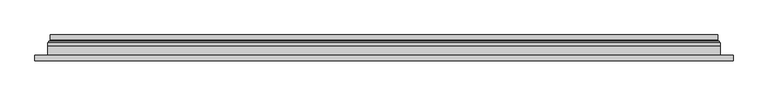
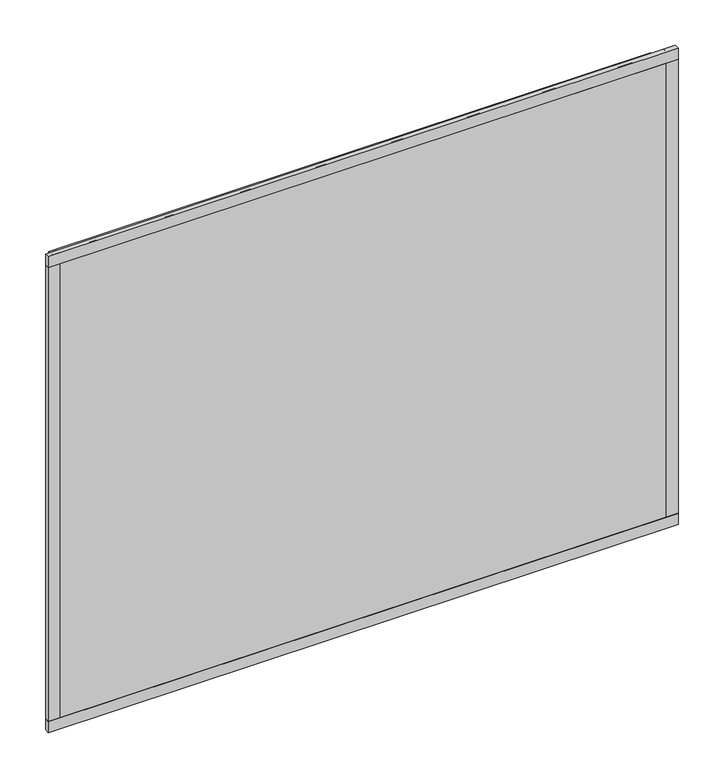
"""IFC4 building model written with IfcOpenShell, lengths in millimetres: plate geometry."""

import ifcopenshell
import ifcopenshell.guid

model = None  # the IFC model being written
_history = None  # IfcOwnerHistory: only IFC2X3 demands one
_inside = {}  # id of a spatial element -> (the spatial element, [elements in it])
_under = {}  # id of a project, library or spatial element -> (it, [spatial elements below it])
_declared = {}  # id of a project -> (the project, [libraries it declares])
_typed = {}  # id of a type object -> (the type object, [elements of that type])
_made_of = {}  # id of a material, layer set ... -> (it, [elements and type objects made of it])


def new_model(schema):
    """Start an empty IFC model of exactly this schema.

    Asked for "IFC4X3", IfcOpenShell would pick the latest addendum, in which some entities
    have other attributes; the version numbers below select the first issue.
    IFC2X3 requires an IfcOwnerHistory on every rooted entity: one is made here for all.
    """
    global model, _history
    if schema == "IFC4X3":
        model = ifcopenshell.file(schema_version=(4, 3, 0, 0))
    else:
        model = ifcopenshell.file(schema=schema)
    _inside.clear()
    _under.clear()
    _declared.clear()
    _typed.clear()
    _made_of.clear()
    _history = None
    if model.schema == "IFC2X3":
        org = make("IfcOrganization", Name="unknown")
        user = make(
            "IfcPersonAndOrganization",
            ThePerson=make("IfcPerson", FamilyName="unknown"),
            TheOrganization=org,
        )
        app = make(
            "IfcApplication",
            ApplicationDeveloper=org,
            Version="unknown",
            ApplicationFullName="unknown",
            ApplicationIdentifier="unknown",
        )
        _history = make(
            "IfcOwnerHistory",
            OwningUser=user,
            OwningApplication=app,
            ChangeAction="ADDED",
            CreationDate=0,
        )
    return model


def make(cls, **values):
    """One entity of the class cls with the attributes given. An attribute that is None is left unset."""
    return model.create_entity(
        cls, **{name: value for name, value in values.items() if value is not None}
    )


def rooted(cls, **values):
    """An entity with a GlobalId (a new one), such as an element, a storey or a relation."""
    return make(cls, GlobalId=ifcopenshell.guid.new(), OwnerHistory=_history, **values)


def si_unit(unit_type, name, prefix=None):
    """IfcSIUnit, for example si_unit("LENGTHUNIT", "METRE", prefix="MILLI")."""
    return make("IfcSIUnit", UnitType=unit_type, Prefix=prefix, Name=name)


def assignment(units):
    """IfcUnitAssignment: the units of a project."""
    return None if units is None else make("IfcUnitAssignment", Units=units)


def point(xyz):
    """IfcCartesianPoint."""
    return None if xyz is None else make("IfcCartesianPoint", Coordinates=xyz)


def direction(xyz):
    """IfcDirection."""
    return None if xyz is None else make("IfcDirection", DirectionRatios=xyz)


def frame(location, z_axis=None, x_axis=None):
    """IfcAxis2Placement3D, a coordinate frame: its origin and axes. An axis left out is left unset."""
    return make(
        "IfcAxis2Placement3D",
        Location=point(location),
        Axis=direction(z_axis),
        RefDirection=direction(x_axis),
    )


def origin():
    """The frame at (0, 0, 0) with its axes left unset."""
    return frame((0.0, 0.0, 0.0))


def place(relative_to, where):
    """IfcLocalPlacement: puts the frame where relative to a parent placement (None: the world)."""
    return make(
        "IfcLocalPlacement", PlacementRelTo=relative_to, RelativePlacement=where
    )


def context(
    kind, dimensions, precision=None, world=None, true_north=None, identifier=None
):
    """IfcGeometricRepresentationContext, for example the 3D "Model" context."""
    return make(
        "IfcGeometricRepresentationContext",
        ContextIdentifier=identifier,
        ContextType=kind,
        CoordinateSpaceDimension=dimensions,
        Precision=precision,
        WorldCoordinateSystem=world,
        TrueNorth=true_north,
    )


def project(units=None, contexts=None):
    """IfcProject with its units and contexts."""
    return rooted(
        "IfcProject",
        Name="project",
        RepresentationContexts=contexts,
        UnitsInContext=assignment(units),
    )


def spatial(cls, under=None, at=None, **own):
    """A site, building, storey or space (cls), placed at a placement, below another one or the project."""
    s = rooted(cls, ObjectPlacement=at, **own)
    if under is not None:
        _under.setdefault(under.id(), (under, []))[1].append(s)
    return s


def polyline(points):
    """IfcPolyline through the points."""
    return make("IfcPolyline", Points=[point(p) for p in points])


def ellipse_curve(where, semi_axis1, semi_axis2):
    """IfcEllipse in the frame where."""
    return make(
        "IfcEllipse", Position=where, SemiAxis1=semi_axis1, SemiAxis2=semi_axis2
    )


def outline(outer, holes=None, kind="AREA"):
    """IfcArbitraryClosedProfileDef: a profile drawn as a closed curve; with holes, ...WithVoids."""
    if holes is None:
        return make("IfcArbitraryClosedProfileDef", ProfileType=kind, OuterCurve=outer)
    return make(
        "IfcArbitraryProfileDefWithVoids",
        ProfileType=kind,
        OuterCurve=outer,
        InnerCurves=holes,
    )


def extrude(swept, where, along, depth):
    """IfcExtrudedAreaSolid: the profile swept, set in the frame where, extruded along a direction by depth."""
    return make(
        "IfcExtrudedAreaSolid",
        SweptArea=swept,
        Position=where,
        ExtrudedDirection=direction(along),
        Depth=depth,
    )


def shape(context_of_items, identifier, shape_type, items):
    """IfcShapeRepresentation: the items that make up one representation, for example the "Body"."""
    return make(
        "IfcShapeRepresentation",
        ContextOfItems=context_of_items,
        RepresentationIdentifier=identifier,
        RepresentationType=shape_type,
        Items=items,
    )


def source(mapping_origin, context_of_items, identifier, shape_type, items):
    """IfcRepresentationMap: a shape defined once, which mapped items show again and again."""
    return make(
        "IfcRepresentationMap",
        MappingOrigin=mapping_origin,
        MappedRepresentation=shape(context_of_items, identifier, shape_type, items),
    )


def transform(
    local_origin,
    x_axis=None,
    y_axis=None,
    z_axis=None,
    scale=None,
    scale2=None,
    scale3=None,
    uniform=True,
):
    """IfcCartesianTransformationOperator3D, or its non-uniform kind. x_axis, y_axis, z_axis: its Axis1, 2, 3."""
    if uniform:
        return make(
            "IfcCartesianTransformationOperator3D",
            Axis1=direction(x_axis),
            Axis2=direction(y_axis),
            LocalOrigin=point(local_origin),
            Scale=scale,
            Axis3=direction(z_axis),
        )
    return make(
        "IfcCartesianTransformationOperator3DnonUniform",
        Axis1=direction(x_axis),
        Axis2=direction(y_axis),
        LocalOrigin=point(local_origin),
        Scale=scale,
        Axis3=direction(z_axis),
        Scale2=scale2,
        Scale3=scale3,
    )


def mapped(mapping_source, mapping_target):
    """IfcMappedItem: shows the shape of a source again, moved by a transform."""
    return make(
        "IfcMappedItem", MappingSource=mapping_source, MappingTarget=mapping_target
    )


def made_of(thing, what):
    """Note that an element or type object is made of a material, layer set ...; save() writes the relation."""
    if what is not None:
        _made_of.setdefault(what.id(), (what, []))[1].append(thing)
    return thing


def element(
    cls,
    number,
    at=None,
    inside=None,
    cuts=None,
    type_object=None,
    material=None,
    context=None,
    identifier="Body",
    shape_type=None,
    held_by="IfcProductDefinitionShape",
    body=None,
    shapes=None,
    **own,
):
    """One element of the class cls, such as IfcWall. Its Tag is "e" and its number.

    at: its placement. inside: the storey or other place that contains it. cuts: it is an
    opening in that element (IfcRelVoidsElement). A single representation is given by context,
    identifier, shape_type and body (its items); several are given by shapes. held_by: the class
    of the entity that holds the representations. save() writes the other relations.
    """
    e = rooted(cls, Tag="e%d" % number, ObjectPlacement=at, **own)
    if body is not None:
        shapes = [shape(context, identifier, shape_type, body)]
    if shapes is not None:
        e.Representation = make(held_by, Representations=shapes)
    if inside is not None:
        _inside.setdefault(inside.id(), (inside, []))[1].append(e)
    if cuts is not None:
        rooted(
            "IfcRelVoidsElement", RelatingBuildingElement=cuts, RelatedOpeningElement=e
        )
    if type_object is not None:
        _typed.setdefault(type_object.id(), (type_object, []))[1].append(e)
    return made_of(e, material)


def aggregate(whole, parts):
    """IfcRelAggregates: a whole, such as a stair, and the parts it consists of."""
    return rooted("IfcRelAggregates", RelatingObject=whole, RelatedObjects=parts)


def save(model, path):
    """Write the relations noted so far, then the file.

    IfcRelAggregates (storeys below a building ...), IfcRelContainedInSpatialStructure (elements
    in a storey), IfcRelDefinesByType, IfcRelAssociatesMaterial and IfcRelDeclares: one each for
    every whole, place, type object, material and project.
    """
    for whole, parts in _under.values():
        aggregate(whole, parts)
    for where, things in _inside.values():
        rooted(
            "IfcRelContainedInSpatialStructure",
            RelatedElements=things,
            RelatingStructure=where,
        )
    for kind, things in _typed.values():
        rooted("IfcRelDefinesByType", RelatedObjects=things, RelatingType=kind)
    for what, things in _made_of.values():
        rooted("IfcRelAssociatesMaterial", RelatedObjects=things, RelatingMaterial=what)
    for by, libraries in _declared.values():
        rooted("IfcRelDeclares", RelatingContext=by, RelatedDefinitions=libraries)
    model.write(path)


def plane_surface(at):
    """IfcPlane: the flat surface through the origin of the frame at, square to its z axis."""
    return make("IfcPlane", Position=at)


def cylinder_surface(at, radius):
    """IfcCylindricalSurface: all points at the distance radius from the z axis of the frame at."""
    return make("IfcCylindricalSurface", Position=at, Radius=radius)


def revolved_surface(curve, axis_point, axis_direction):
    """IfcSurfaceOfRevolution: the curve turned about the line through axis_point along axis_direction."""
    return make(
        "IfcSurfaceOfRevolution",
        SweptCurve=make("IfcArbitraryOpenProfileDef", ProfileType="CURVE", Curve=curve),
        AxisPosition=make("IfcAxis1Placement", Location=point(axis_point), Axis=direction(axis_direction)),
    )


def advanced_brep(points, edges, surfaces, faces):
    """IfcAdvancedBrep: a solid bounded by faces that lie on surfaces and meet in shared edges.

    An edge is (start, end): straight between two places in points (the first is 0);
    or (start, end, curve); or (start, end, curve, False) where it runs against its curve.
    A face is (place in surfaces, loops), or (place, loops, False) where it looks against
    its surface's normal. A loop lists edges by number (the first is 1), with a minus sign
    where the edge is run from its end to its start. The first loop is the outer one.
    """
    corners = [point(p) for p in points]
    vertices = [make("IfcVertexPoint", VertexGeometry=c) for c in corners]
    made = []
    for start, end, *more in edges:
        made.append(
            make(
                "IfcEdgeCurve",
                EdgeStart=vertices[start],
                EdgeEnd=vertices[end],
                EdgeGeometry=more[0] if more else make("IfcPolyline", Points=[corners[start], corners[end]]),
                SameSense=more[1] if len(more) > 1 else True,
            )
        )
    hull = []
    for where, loops, *sense in faces:
        bounds = []
        for j, loop in enumerate(loops):
            ring = [make("IfcOrientedEdge", EdgeElement=made[abs(k) - 1], Orientation=k > 0) for k in loop]
            bounds.append(
                make(
                    "IfcFaceOuterBound" if j == 0 else "IfcFaceBound",
                    Bound=make("IfcEdgeLoop", EdgeList=ring),
                    Orientation=True,
                )
            )
        hull.append(make("IfcAdvancedFace", Bounds=bounds, FaceSurface=surfaces[where], SameSense=sense[0] if sense else True))
    return make("IfcAdvancedBrep", Outer=make("IfcClosedShell", CfsFaces=hull))


def plate_39abab2a(model_context):
    return source(origin(), model_context, "Body", "SolidModel", [
        extrude(outline(polyline([(624.0, -23.0), (-624.0, -23.0), (-624.0, -13.51), (624.0, -13.51), (624.0, -23.0)])), frame((0.0, 0.0, -11.5), z_axis=(0.0, 0.0, 1.0), x_axis=(1.0, 0.0, 0.0)), (0.0, 0.0, 1.0), 23.0),
        extrude(outline(polyline([(624.0, -23.0), (-624.0, -23.0), (-624.0, -13.51), (624.0, -13.51), (624.0, -23.0)])), frame((0.0, 0.0, 963.5), z_axis=(0.0, 0.0, 1.0), x_axis=(1.0, 0.0, 0.0)), (0.0, 0.0, 1.0), 23.0),
        extrude(outline(polyline([(-624.0, -23.0), (-624.0, -13.51), (-601.0, -13.51), (-601.0, -23.0), (-624.0, -23.0)])), frame((0.0, 0.0, -11.5), z_axis=(0.0, 0.0, 1.0), x_axis=(1.0, 0.0, 0.0)), (0.0, 0.0, 1.0), 998.0),
        extrude(outline(polyline([(624.0, -23.0), (601.0, -23.0), (601.0, -13.51), (624.0, -13.51), (624.0, -23.0)])), frame((0.0, 0.0, -11.5), z_axis=(0.0, 0.0, 1.0), x_axis=(1.0, 0.0, 0.0)), (0.0, 0.0, 1.0), 998.0),
        extrude(outline(polyline([(11.5, -601.0), (11.5, 601.0), (963.5, 601.0), (963.5, -601.0), (11.5, -601.0)]), holes=[polyline([(33.5, 579.0), (33.5, -579.0), (941.5, -579.0), (941.5, 579.0), (33.5, 579.0)])]), frame((0.0, -17.0, 0.0), z_axis=(0.0, 1.0, 0.0), x_axis=(0.0, 0.0, 1.0)), (0.0, 0.0, 1.0), 20.0),
        extrude(outline(polyline([(33.5, -579.0), (33.5, 579.0), (941.5, 579.0), (941.5, -579.0), (33.5, -579.0)]), holes=[polyline([(38.5, 574.0), (38.5, -574.0), (936.5, -574.0), (936.5, 574.0), (38.5, 574.0)])]), frame((0.0, -17.0, 0.0), z_axis=(0.0, 1.0, 0.0), x_axis=(0.0, 0.0, 1.0)), (0.0, 0.0, 1.0), 20.0),
        extrude(outline(polyline([(601.0, 9.0), (601.0, 3.0), (-601.0, 3.0), (-601.0, 9.0), (601.0, 9.0)])), frame((0.0, 0.0, 11.5), z_axis=(0.0, 0.0, 1.0), x_axis=(1.0, 0.0, 0.0)), (0.0, 0.0, 1.0), 952.0),
        extrude(outline(polyline([(-601.0, -23.0), (-601.0, -17.0), (601.0, -17.0), (601.0, -23.0), (-601.0, -23.0)])), frame((0.0, 0.0, 11.5), z_axis=(0.0, 0.0, 1.0), x_axis=(1.0, 0.0, 0.0)), (0.0, 0.0, 1.0), 952.0),
        advanced_brep(
        [(-596.5, 23.0, 16.0), (596.5, 23.0, 16.0), (596.5, 13.9230471, 16.0), (-596.5, 13.9230471, 16.0), (-587.5, 12.9110883, 25.0), (587.5, 12.9110883, 25.0), (587.5, 23.0, 25.0), (-587.5, 23.0, 25.0), (596.5, 23.0, 959.0), (596.5, 13.9230471, 959.0), (587.5, 12.9110883, 950.0), (587.5, 23.0, 950.0), (-596.5, 23.0, 959.0), (-596.5, 13.9230471, 959.0), (-587.5, 12.9110883, 950.0), (-587.5, 23.0, 950.0), (-597.7540757, 9.0, 14.7459243), (597.7540757, 9.0, 14.7459243), (597.7540757, 9.0, 960.2540757), (-597.7540757, 9.0, 960.2540757), (587.2, 9.0, 25.3), (-587.2, 9.0, 25.3), (-587.2, 9.0, 949.7), (587.2, 9.0, 949.7), (-586.5625, 11.2166581, 25.9375), (586.5625, 11.2166581, 25.9375), (-598.0737575, 11.9689955, 14.4262425), (598.0737575, 11.9689955, 14.4262425), (586.5625, 11.2166581, 949.0625), (598.0737575, 11.9689955, 960.5737575), (-586.5625, 11.2166581, 949.0625), (-598.0737575, 11.9689955, 960.5737575)],
        [
            (0, 1),
            (1, 2),
            (2, 3),
            (3, 0),
            (4, 5),
            (5, 6),
            (6, 7),
            (7, 4),
            (1, 8),
            (8, 9),
            (9, 2),
            (5, 10),
            (10, 11),
            (11, 6),
            (8, 12),
            (12, 13),
            (13, 9),
            (10, 14),
            (14, 15),
            (15, 11),
            (16, 17),
            (17, 18),
            (18, 19),
            (19, 16),
            (20, 21),
            (21, 22),
            (22, 23),
            (23, 20),
            (12, 0),
            (3, 13),
            (15, 7),
            (14, 4),
            (24, 25),
            (25, 5, ellipse_curve(frame((585.5, 12.9110883, 27.0), z_axis=(0.7071067811865475, 0.0, 0.7071067811865475), x_axis=(0.7071067811865476, 0.0, -0.7071067811865474)), 2.8284271, 2.0)),
            (4, 24, ellipse_curve(frame((-585.5, 12.9110883, 27.0), z_axis=(-0.7071067811865475, 0.0, 0.7071067811865475), x_axis=(0.7071067811865476, 0.0, 0.7071067811865474)), 2.8284271, 2.0)),
            (20, 25, ellipse_curve(frame((587.2, 10.2, 25.3), z_axis=(-0.7071067811865475, 0.0, -0.7071067811865475), x_axis=(-0.7071067811865476, 0.0, 0.7071067811865474)), 1.6970563, 1.2)),
            (24, 21, ellipse_curve(frame((-587.2, 10.2, 25.3), z_axis=(0.7071067811865475, 0.0, -0.7071067811865475), x_axis=(-0.7071067811865476, 0.0, -0.7071067811865474)), 1.6970563, 1.2)),
            (26, 27),
            (27, 17, ellipse_curve(frame((597.7540757, 10.5034569, 14.7459243), z_axis=(-0.7071067811865475, 0.0, -0.7071067811865475), x_axis=(-0.7071067811865476, 0.0, 0.7071067811865474)), 2.1213203, 1.5)),
            (16, 26, ellipse_curve(frame((-597.7540757, 10.5034569, 14.7459243), z_axis=(0.7071067811865475, 0.0, -0.7071067811865475), x_axis=(-0.7071067811865476, 0.0, -0.7071067811865474)), 2.1213203, 1.5)),
            (25, 28),
            (28, 10, ellipse_curve(frame((585.5, 12.9110883, 948.0), z_axis=(-0.7071067811865475, 0.0, 0.7071067811865475), x_axis=(0.7071067811865474, 0.0, 0.7071067811865476)), 2.8284271, 2.0)),
            (23, 28, ellipse_curve(frame((587.2, 10.2, 949.7), z_axis=(0.7071067811865475, 0.0, -0.7071067811865475), x_axis=(-0.7071067811865474, 0.0, -0.7071067811865476)), 1.6970563, 1.2)),
            (27, 29),
            (29, 18, ellipse_curve(frame((597.7540757, 10.5034569, 960.2540757), z_axis=(0.7071067811865475, 0.0, -0.7071067811865475), x_axis=(-0.7071067811865474, 0.0, -0.7071067811865476)), 2.1213203, 1.5)),
            (28, 30),
            (30, 14, ellipse_curve(frame((-585.5, 12.9110883, 948.0), z_axis=(-0.7071067811865475, 0.0, -0.7071067811865475), x_axis=(-0.7071067811865476, 0.0, 0.7071067811865474)), 2.8284271, 2.0)),
            (22, 30, ellipse_curve(frame((-587.2, 10.2, 949.7), z_axis=(0.7071067811865475, 0.0, 0.7071067811865475), x_axis=(0.7071067811865476, 0.0, -0.7071067811865474)), 1.6970563, 1.2)),
            (29, 31),
            (31, 19, ellipse_curve(frame((-597.7540757, 10.5034569, 960.2540757), z_axis=(0.7071067811865475, 0.0, 0.7071067811865475), x_axis=(0.7071067811865476, 0.0, -0.7071067811865474)), 2.1213203, 1.5)),
            (30, 24),
            (31, 26),
            (2, 27, ellipse_curve(frame((598.5, 13.9230471, 14.0), z_axis=(0.7071067811865475, 0.0, 0.7071067811865475), x_axis=(0.7071067811865476, 0.0, -0.7071067811865474)), 2.8284271, 2.0)),
            (26, 3, ellipse_curve(frame((-598.5, 13.9230471, 14.0), z_axis=(-0.7071067811865475, 0.0, 0.7071067811865475), x_axis=(0.7071067811865476, 0.0, 0.7071067811865474)), 2.8284271, 2.0)),
            (9, 29, ellipse_curve(frame((598.5, 13.9230471, 961.0), z_axis=(-0.7071067811865475, 0.0, 0.7071067811865475), x_axis=(0.7071067811865474, 0.0, 0.7071067811865476)), 2.8284271, 2.0)),
            (13, 31, ellipse_curve(frame((-598.5, 13.9230471, 961.0), z_axis=(-0.7071067811865475, 0.0, -0.7071067811865475), x_axis=(-0.7071067811865476, 0.0, 0.7071067811865474)), 2.8284271, 2.0)),
        ],
        [
            plane_surface(frame((-596.5, 13.9230471, 16.0), z_axis=(0.0, 0.0, -1.0), x_axis=(1.0, 0.0, 0.0))),
            plane_surface(frame((-587.5, 23.0, 25.0), z_axis=(0.0, 0.0, 1.0), x_axis=(1.0, 0.0, 0.0))),
            plane_surface(frame((596.5, 13.9230471, 16.0), z_axis=(1.0, 0.0, 0.0), x_axis=(0.0, 0.0, 1.0))),
            plane_surface(frame((587.5, 23.0, 25.0), z_axis=(-1.0, 0.0, 0.0), x_axis=(0.0, 0.0, 1.0))),
            plane_surface(frame((596.5, 13.9230471, 959.0), z_axis=(0.0, 0.0, 1.0), x_axis=(-1.0, 0.0, 0.0))),
            plane_surface(frame((587.5, 23.0, 950.0), z_axis=(0.0, 0.0, -1.0), x_axis=(-1.0, 0.0, 0.0))),
            plane_surface(frame((-587.2, 9.0, 949.7), z_axis=(0.0, -1.0, 0.0), x_axis=(0.0, 0.0, -1.0))),
            plane_surface(frame((-596.5, 13.9230471, 959.0), z_axis=(-1.0, 0.0, 0.0), x_axis=(0.0, 0.0, -1.0))),
            plane_surface(frame((-596.5, 23.0, 959.0), z_axis=(0.0, 1.0, 0.0), x_axis=(0.0, 0.0, -1.0))),
            plane_surface(frame((-587.5, 23.0, 950.0), z_axis=(1.0, 0.0, 0.0), x_axis=(0.0, 0.0, -1.0))),
            revolved_surface(polyline([(587.5, 10.9110883, 27.0), (-587.5, 10.9110883, 27.0)]), (-601.0, 12.9110883, 27.0), (1.0, 0.0, 0.0)),
            cylinder_surface(frame((-601.0, 10.2, 25.3), z_axis=(-1.0, 0.0, 0.0), x_axis=(0.0, -1.0, 0.0)), 1.2),
            cylinder_surface(frame((-601.0, 10.5034569, 14.7459243), z_axis=(-1.0, 0.0, 0.0), x_axis=(0.0, -1.0, 0.0)), 1.5),
            revolved_surface(polyline([(585.5, 10.9110883, 950.0), (585.5, 10.9110883, 25.0)]), (585.5, 12.9110883, 11.5), (0.0, 0.0, 1.0)),
            cylinder_surface(frame((587.2, 10.2, 11.5), z_axis=(0.0, 0.0, -1.0), x_axis=(0.0, -1.0, 0.0)), 1.2),
            cylinder_surface(frame((597.7540757, 10.5034569, 11.5), z_axis=(0.0, 0.0, -1.0), x_axis=(0.0, -1.0, 0.0)), 1.5),
            revolved_surface(polyline([(-587.5, 10.9110883, 948.0), (587.5, 10.9110883, 948.0)]), (601.0, 12.9110883, 948.0), (-1.0, 0.0, 0.0)),
            cylinder_surface(frame((601.0, 10.2, 949.7), z_axis=(1.0, 0.0, 0.0), x_axis=(0.0, -1.0, 0.0)), 1.2),
            cylinder_surface(frame((601.0, 10.5034569, 960.2540757), z_axis=(1.0, 0.0, 0.0), x_axis=(0.0, -1.0, 0.0)), 1.5),
            revolved_surface(polyline([(-585.5, 10.9110883, 25.0), (-585.5, 10.9110883, 950.0)]), (-585.5, 12.9110883, 963.5), (0.0, 0.0, -1.0)),
            cylinder_surface(frame((-587.2, 10.2, 963.5), z_axis=(0.0, 0.0, 1.0), x_axis=(0.0, -1.0, 0.0)), 1.2),
            cylinder_surface(frame((-597.7540757, 10.5034569, 963.5), z_axis=(0.0, 0.0, 1.0), x_axis=(0.0, -1.0, 0.0)), 1.5),
            revolved_surface(polyline([(600.4999999825018, 11.9230471, 14.0), (-600.4999999825018, 11.9230471, 14.0)]), (-601.0, 13.9230471, 14.0), (1.0, 0.0, 0.0)),
            revolved_surface(polyline([(598.5, 11.9230471, 962.9999999825018), (598.5, 11.9230471, 12.000000017498198)]), (598.5, 13.9230471, 11.5), (0.0, 0.0, 1.0)),
            revolved_surface(polyline([(-600.4999999825018, 11.9230471, 961.0), (600.4999999825018, 11.9230471, 961.0)]), (601.0, 13.9230471, 961.0), (-1.0, 0.0, 0.0)),
            revolved_surface(polyline([(-598.5, 11.9230471, 12.000000017498223), (-598.5, 11.9230471, 962.9999999825018)]), (-598.5, 13.9230471, 963.5), (0.0, 0.0, -1.0)),
        ],
        [
            (0, [[1, 2, 3, 4]]),
            (1, [[5, 6, 7, 8]]),
            (2, [[9, 10, 11, -2]]),
            (3, [[12, 13, 14, -6]]),
            (4, [[15, 16, 17, -10]]),
            (5, [[18, 19, 20, -13]]),
            (6, [[21, 22, 23, 24], [25, 26, 27, 28]]),
            (7, [[29, -4, 30, -16]]),
            (8, [[-1, -29, -15, -9], [-7, -14, -20, 31]]),
            (9, [[32, -8, -31, -19]]),
            (10, [[33, 34, -5, 35]]),
            (11, [[-25, 36, -33, 37]]),
            (12, [[38, 39, -21, 40]]),
            (13, [[41, 42, -12, -34]]),
            (14, [[-28, 43, -41, -36]]),
            (15, [[44, 45, -22, -39]]),
            (16, [[46, 47, -18, -42]]),
            (17, [[-27, 48, -46, -43]]),
            (18, [[49, 50, -23, -45]]),
            (19, [[51, -35, -32, -47]]),
            (20, [[-26, -37, -51, -48]]),
            (21, [[52, -40, -24, -50]]),
            (22, [[-3, 53, -38, 54]]),
            (23, [[-11, 55, -44, -53]]),
            (24, [[-17, 56, -49, -55]]),
            (25, [[-30, -54, -52, -56]]),
        ],
    ),
    ])


if __name__ == "__main__":
    model = new_model("IFC4")
    model_context = context("Model", 3, world=origin())
    ifc_project = project(units=[si_unit("LENGTHUNIT", "METRE", prefix="MILLI")], contexts=[model_context])
    site = spatial("IfcSite", under=ifc_project)
    building = spatial("IfcBuilding", under=site)
    placement = place(None, origin())
    plate_shape = plate_39abab2a(model_context)
    element("IfcPlate", 1, at=placement, inside=building, context=model_context, shape_type="MappedRepresentation", body=[
        mapped(plate_shape, transform((0.0, 0.0, 0.0), x_axis=(1.0, 0.0, 0.0), y_axis=(0.0, 1.0, 0.0), z_axis=(0.0, 0.0, 1.0))),
    ])
    save(model, "model.ifc")
